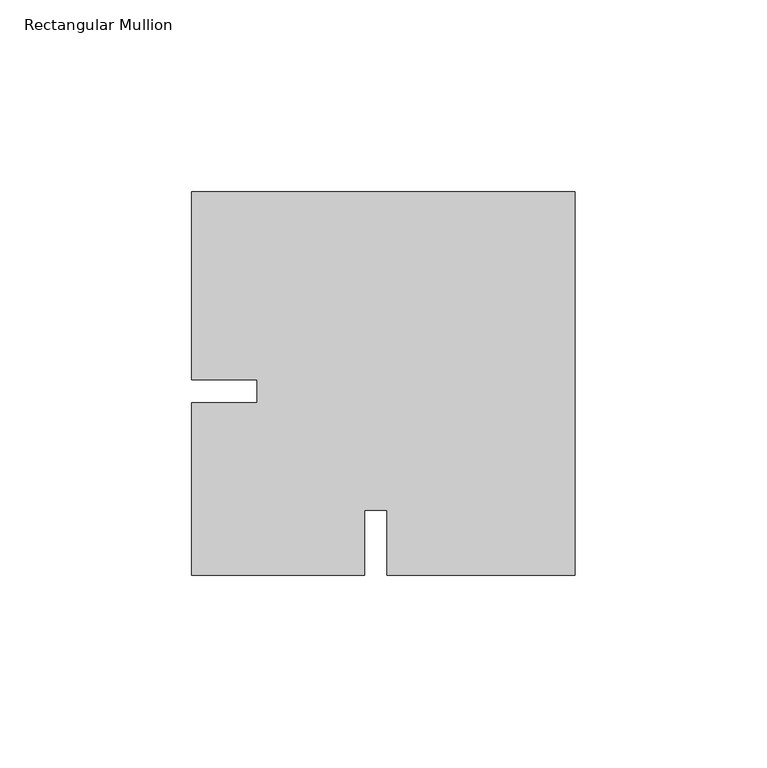
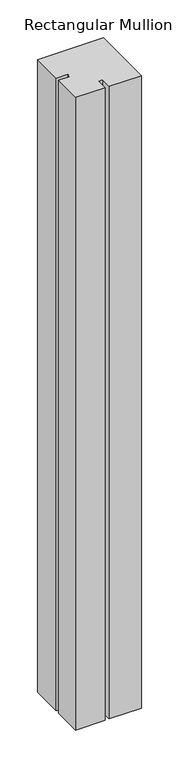
"""IFC4 building model written with IfcOpenShell, lengths in millimetres: member geometry, Rectangular Mullion."""

from ifc_helpers import new_model, si_unit, frame, origin, place, context, project, spatial, polyline, outline, extrude, source, transform, mapped, element, save


def rectangular_mullion_a8c4be12(model_context):
    return source(origin(), model_context, "Body", "SweptSolid", [
        extrude(outline(polyline([(-54.9919802, -48.0224054), (-100.0, -48.0224054), (-100.0, -3.0224029), (-83.002876, -3.0224029), (-83.002876, 2.9776133), (-100.0, 2.9776133), (-100.0, 51.9775946), (0.0, 51.9775946), (0.0, -48.0224054), (-48.9999814, -48.0224054), (-48.9999814, -31.0224007), (-54.9919802, -31.0224007), (-54.9919802, -48.0224054)])), frame((0.0, 0.0, -1018.5412387), z_axis=(0.0, 0.0, 1.0), x_axis=(1.0, 0.0, 0.0)), (0.0, 0.0, 1.0), 1018.5412387),
    ])


if __name__ == "__main__":
    model = new_model("IFC4")
    model_context = context("Model", 3, world=origin())
    ifc_project = project(units=[si_unit("LENGTHUNIT", "METRE", prefix="MILLI")], contexts=[model_context])
    site = spatial("IfcSite", under=ifc_project)
    building = spatial("IfcBuilding", under=site)
    placement = place(None, origin())
    rectangular_mullion_shape = rectangular_mullion_a8c4be12(model_context)
    element("IfcMember", 1, ObjectType="Rectangular Mullion", at=placement, inside=building, context=model_context, shape_type="MappedRepresentation", body=[
        mapped(rectangular_mullion_shape, transform((0.0, 0.0, 0.0), x_axis=(1.0, 0.0, 0.0), y_axis=(0.0, 1.0, 0.0), z_axis=(0.0, 0.0, 1.0))),
    ])
    save(model, "model.ifc")
